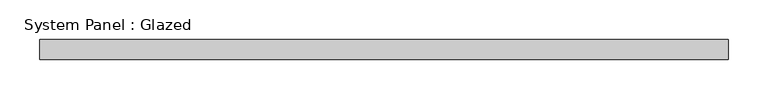
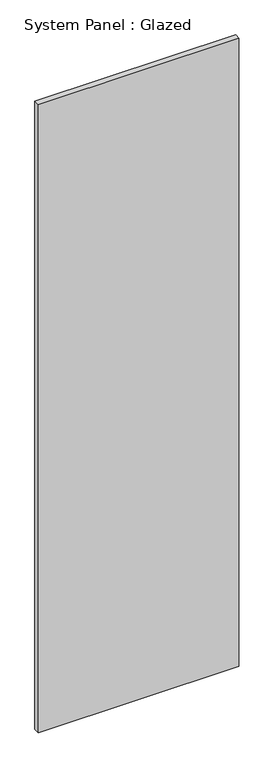
"""IFC4 building model written with IfcOpenShell, lengths in millimetres: plate geometry, System Panel : Glazed."""

from ifc_helpers import new_model, si_unit, origin, origin_with_axes, place, context, project, spatial, polyline, outline, extrude, source, transform, mapped, element, save


def system_panel_glazed_1c502c31(model_context):
    return source(origin(), model_context, "Body", "SweptSolid", [
        extrude(outline(polyline([(430.3912297, 24.5), (-430.3912297, 24.5), (-430.3912297, 49.5), (430.3912297, 49.5), (430.3912297, 24.5)])), origin_with_axes(), (0.0, 0.0, 1.0), 2850.0),
    ])


if __name__ == "__main__":
    model = new_model("IFC4")
    model_context = context("Model", 3, world=origin())
    ifc_project = project(units=[si_unit("LENGTHUNIT", "METRE", prefix="MILLI")], contexts=[model_context])
    site = spatial("IfcSite", under=ifc_project)
    building = spatial("IfcBuilding", under=site)
    placement = place(None, origin())
    system_panel_glazed_shape = system_panel_glazed_1c502c31(model_context)
    element("IfcPlate", 1, ObjectType="System Panel : Glazed", at=placement, inside=building, context=model_context, shape_type="MappedRepresentation", body=[
        mapped(system_panel_glazed_shape, transform((0.0, 0.0, 0.0), x_axis=(1.0, 0.0, 0.0), y_axis=(0.0, 1.0, 0.0), z_axis=(0.0, 0.0, 1.0))),
    ])
    save(model, "model.ifc")
